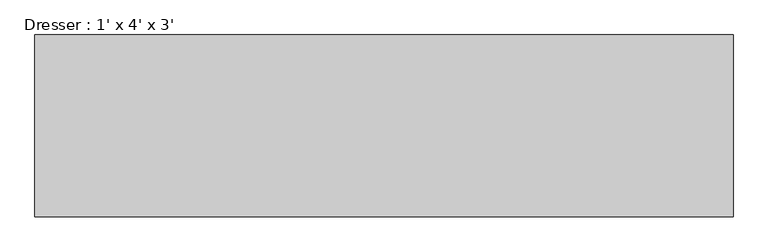
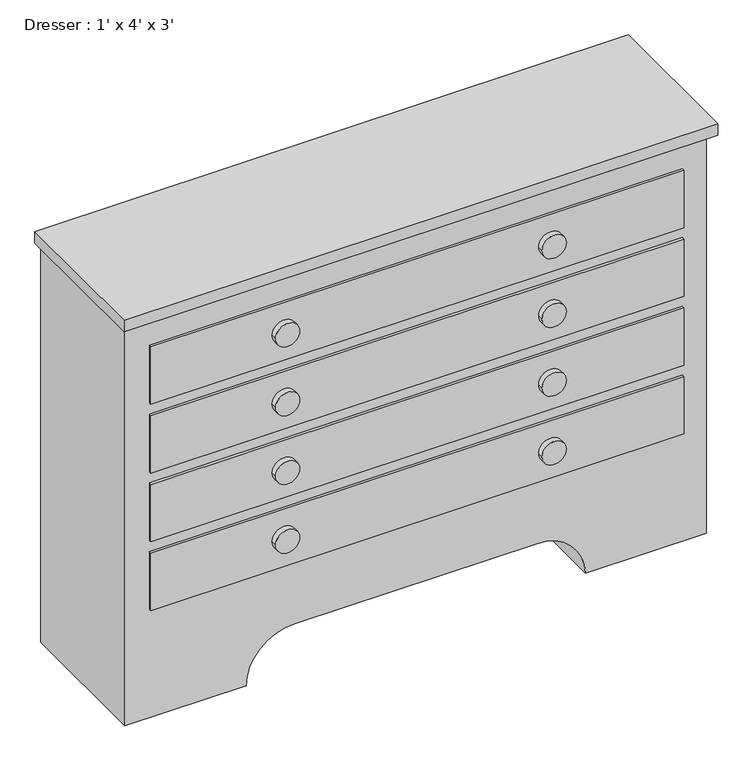
"""IFC4 building model written with IfcOpenShell, lengths in millimetres: furniture geometry, Dresser : 1' x 4' x 3'."""

from ifc_helpers import new_model, si_unit, point, frame, frame_2d, origin, place, context, project, spatial, polyline, circle_curve, trimmed, segment, composite_curve, outline, extrude, source, transform, mapped, element, save


def dresser_1_x_4_x_3_ce2c6400(model_context):
    return source(origin(), model_context, "Body", "SweptSolid", [
        extrude(outline(polyline([(353.1067402, -210.7629541), (353.1067402, -534.6129541), (-891.4932598, -534.6129541), (-891.4932598, -210.7629541), (353.1067402, -210.7629541)])), frame((0.0, 0.0, 889.0), z_axis=(0.0, 0.0, 1.0), x_axis=(1.0, 0.0, 0.0)), (0.0, 0.0, 1.0), 25.4),
        extrude(outline(composite_curve([segment(polyline([(0.0, 340.4067402), (889.0, 340.4067402), (889.0, -878.7932598), (0.0, -878.7932598), (0.0, -624.7932598)]), True, "CONTINUOUS"), segment(trimmed(circle_curve(frame_2d((0.0, -523.1932598)), 101.6), [point((0.0, -624.7932598))], [point((101.6, -523.1932598))], True, "CARTESIAN"), True, "CONTINUOUS"), segment(polyline([(101.6, -523.1932598), (101.6, -15.1932598)]), True, "CONTINUOUS"), segment(trimmed(circle_curve(frame_2d((0.0, -15.1932598)), 101.6), [point((101.6, -15.1932598))], [point((0.0, 86.4067402))], True, "CARTESIAN"), True, "CONTINUOUS"), segment(polyline([(0.0, 86.4067402), (0.0, 340.4067402)]), True, "CONTINUOUS")], self_intersect=False)), frame((0.0, -515.5629541, 0.0), z_axis=(0.0, 1.0, 0.0), x_axis=(0.0, 0.0, 1.0)), (0.0, 0.0, 1.0), 304.8),
        extrude(outline(composite_curve([segment(trimmed(circle_curve(frame_2d((762.0, 10.2067402)), 25.4), [point((762.0, -15.1932598))], [point((762.0, 35.6067402))], False, "CARTESIAN"), True, "CONTINUOUS"), segment(trimmed(circle_curve(frame_2d((762.0, 10.2067402)), 25.4), [point((762.0, 35.6067402))], [point((762.0, -15.1932598))], False, "CARTESIAN"), True, "CONTINUOUS")], self_intersect=False)), frame((0.0, -534.6129541, 0.0), z_axis=(0.0, 1.0, 0.0), x_axis=(0.0, 0.0, 1.0)), (0.0, 0.0, 1.0), 12.7),
        extrude(outline(composite_curve([segment(trimmed(circle_curve(frame_2d((609.6, 10.2067402)), 25.4), [point((609.6, -15.1932598))], [point((609.6, 35.6067402))], False, "CARTESIAN"), True, "CONTINUOUS"), segment(trimmed(circle_curve(frame_2d((609.6, 10.2067402)), 25.4), [point((609.6, 35.6067402))], [point((609.6, -15.1932598))], False, "CARTESIAN"), True, "CONTINUOUS")], self_intersect=False)), frame((0.0, -534.6129541, 0.0), z_axis=(0.0, 1.0, 0.0), x_axis=(0.0, 0.0, 1.0)), (0.0, 0.0, 1.0), 12.7),
        extrude(outline(composite_curve([segment(trimmed(circle_curve(frame_2d((457.2, 10.2067402)), 25.4), [point((457.2, -15.1932598))], [point((457.2, 35.6067402))], False, "CARTESIAN"), True, "CONTINUOUS"), segment(trimmed(circle_curve(frame_2d((457.2, 10.2067402)), 25.4), [point((457.2, 35.6067402))], [point((457.2, -15.1932598))], False, "CARTESIAN"), True, "CONTINUOUS")], self_intersect=False)), frame((0.0, -534.6129541, 0.0), z_axis=(0.0, 1.0, 0.0), x_axis=(0.0, 0.0, 1.0)), (0.0, 0.0, 1.0), 12.7),
        extrude(outline(composite_curve([segment(trimmed(circle_curve(frame_2d((304.8, 10.2067402)), 25.4), [point((304.8, -15.1932598))], [point((304.8, 35.6067402))], False, "CARTESIAN"), True, "CONTINUOUS"), segment(trimmed(circle_curve(frame_2d((304.8, 10.2067402)), 25.4), [point((304.8, 35.6067402))], [point((304.8, -15.1932598))], False, "CARTESIAN"), True, "CONTINUOUS")], self_intersect=False)), frame((0.0, -534.6129541, 0.0), z_axis=(0.0, 1.0, 0.0), x_axis=(0.0, 0.0, 1.0)), (0.0, 0.0, 1.0), 12.7),
        extrude(outline(composite_curve([segment(trimmed(circle_curve(frame_2d((304.8, -548.5932598)), 25.4), [point((304.8, -573.9932598))], [point((304.8, -523.1932598))], False, "CARTESIAN"), True, "CONTINUOUS"), segment(trimmed(circle_curve(frame_2d((304.8, -548.5932598)), 25.4), [point((304.8, -523.1932598))], [point((304.8, -573.9932598))], False, "CARTESIAN"), True, "CONTINUOUS")], self_intersect=False)), frame((0.0, -534.6129541, 0.0), z_axis=(0.0, 1.0, 0.0), x_axis=(0.0, 0.0, 1.0)), (0.0, 0.0, 1.0), 12.7),
        extrude(outline(composite_curve([segment(trimmed(circle_curve(frame_2d((457.2, -548.5932598)), 25.4), [point((457.2, -573.9932598))], [point((457.2, -523.1932598))], False, "CARTESIAN"), True, "CONTINUOUS"), segment(trimmed(circle_curve(frame_2d((457.2, -548.5932598)), 25.4), [point((457.2, -523.1932598))], [point((457.2, -573.9932598))], False, "CARTESIAN"), True, "CONTINUOUS")], self_intersect=False)), frame((0.0, -534.6129541, 0.0), z_axis=(0.0, 1.0, 0.0), x_axis=(0.0, 0.0, 1.0)), (0.0, 0.0, 1.0), 12.7),
        extrude(outline(composite_curve([segment(trimmed(circle_curve(frame_2d((609.6, -548.5932598)), 25.4), [point((609.6, -573.9932598))], [point((609.6, -523.1932598))], False, "CARTESIAN"), True, "CONTINUOUS"), segment(trimmed(circle_curve(frame_2d((609.6, -548.5932598)), 25.4), [point((609.6, -523.1932598))], [point((609.6, -573.9932598))], False, "CARTESIAN"), True, "CONTINUOUS")], self_intersect=False)), frame((0.0, -534.6129541, 0.0), z_axis=(0.0, 1.0, 0.0), x_axis=(0.0, 0.0, 1.0)), (0.0, 0.0, 1.0), 12.7),
        extrude(outline(composite_curve([segment(trimmed(circle_curve(frame_2d((762.0, -548.5932598)), 25.4), [point((762.0, -573.9932598))], [point((762.0, -523.1932598))], False, "CARTESIAN"), True, "CONTINUOUS"), segment(trimmed(circle_curve(frame_2d((762.0, -548.5932598)), 25.4), [point((762.0, -523.1932598))], [point((762.0, -573.9932598))], False, "CARTESIAN"), True, "CONTINUOUS")], self_intersect=False)), frame((0.0, -534.6129541, 0.0), z_axis=(0.0, 1.0, 0.0), x_axis=(0.0, 0.0, 1.0)), (0.0, 0.0, 1.0), 12.7),
        extrude(outline(polyline([(289.6067402, -521.9129541), (-827.9932598, -521.9129541), (-827.9932598, -515.5629541), (289.6067402, -515.5629541), (289.6067402, -521.9129541)])), frame((0.0, 0.0, 698.5), z_axis=(0.0, 0.0, 1.0), x_axis=(1.0, 0.0, 0.0)), (0.0, 0.0, 1.0), 127.0),
        extrude(outline(polyline([(289.6067402, -521.9129541), (-827.9932598, -521.9129541), (-827.9932598, -515.5629541), (289.6067402, -515.5629541), (289.6067402, -521.9129541)])), frame((0.0, 0.0, 546.1), z_axis=(0.0, 0.0, 1.0), x_axis=(1.0, 0.0, 0.0)), (0.0, 0.0, 1.0), 127.0),
        extrude(outline(polyline([(289.6067402, -521.9129541), (-827.9932598, -521.9129541), (-827.9932598, -515.5629541), (289.6067402, -515.5629541), (289.6067402, -521.9129541)])), frame((0.0, 0.0, 393.7), z_axis=(0.0, 0.0, 1.0), x_axis=(1.0, 0.0, 0.0)), (0.0, 0.0, 1.0), 127.0),
        extrude(outline(polyline([(289.6067402, -521.9129541), (-827.9932598, -521.9129541), (-827.9932598, -515.5629541), (289.6067402, -515.5629541), (289.6067402, -521.9129541)])), frame((0.0, 0.0, 241.3), z_axis=(0.0, 0.0, 1.0), x_axis=(1.0, 0.0, 0.0)), (0.0, 0.0, 1.0), 127.0),
    ])


if __name__ == "__main__":
    model = new_model("IFC4")
    model_context = context("Model", 3, world=origin())
    ifc_project = project(units=[si_unit("LENGTHUNIT", "METRE", prefix="MILLI")], contexts=[model_context])
    site = spatial("IfcSite", under=ifc_project)
    building = spatial("IfcBuilding", under=site)
    placement = place(None, origin())
    dresser_1_x_4_x_3_shape = dresser_1_x_4_x_3_ce2c6400(model_context)
    element("IfcFurniture", 1, ObjectType="Dresser : 1' x 4' x 3'", at=placement, inside=building, context=model_context, shape_type="MappedRepresentation", body=[
        mapped(dresser_1_x_4_x_3_shape, transform((0.0, 0.0, 0.0), x_axis=(1.0, 0.0, 0.0), y_axis=(0.0, 1.0, 0.0), z_axis=(0.0, 0.0, 1.0))),
    ])
    save(model, "model.ifc")
